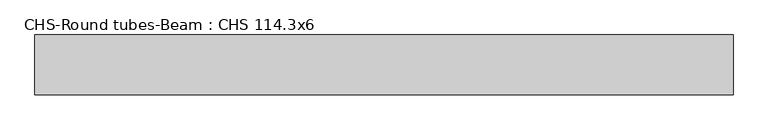
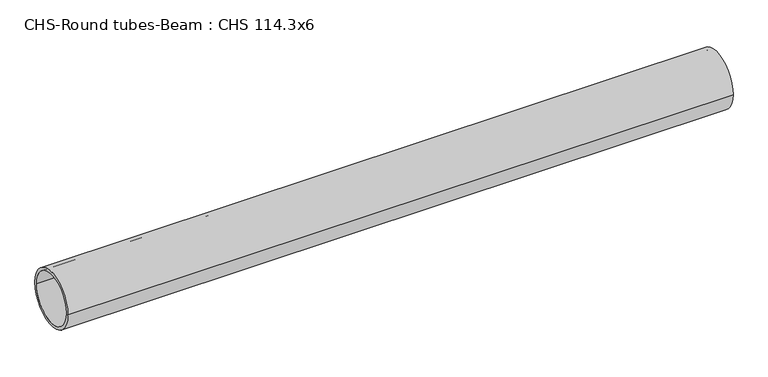
"""IFC4 building model written with IfcOpenShell, lengths in millimetres: beam geometry, CHS-Round tubes-Beam : CHS 114.3x6."""

from ifc_helpers import new_model, si_unit, point, frame, origin, origin_2d, place, context, project, spatial, circle_curve, trimmed, segment, composite_curve, outline, extrude, source, transform, mapped, element, save


def chs_round_tubes_beam_chs_114_3x6_0f8348d8(model_context):
    return source(origin(), model_context, "Body", "SweptSolid", [
        extrude(outline(composite_curve([segment(trimmed(circle_curve(origin_2d(), 57.15), [point((57.15, 0.0))], [point((-57.15, 0.0))], False, "CARTESIAN"), True, "CONTINUOUS"), segment(trimmed(circle_curve(origin_2d(), 57.15), [point((-57.15, 0.0))], [point((57.15, 0.0))], False, "CARTESIAN"), True, "CONTINUOUS")], self_intersect=False), holes=[composite_curve([segment(trimmed(circle_curve(origin_2d(), 51.15), [point((51.15, 0.0))], [point((-51.15, 0.0))], True, "CARTESIAN"), True, "CONTINUOUS"), segment(trimmed(circle_curve(origin_2d(), 51.15), [point((-51.15, 0.0))], [point((51.15, 0.0))], True, "CARTESIAN"), True, "CONTINUOUS")], self_intersect=False)]), frame((-705.1917325, 0.0, 0.0), z_axis=(1.0, 0.0, 0.0), x_axis=(0.0, 1.0, 0.0)), (0.0, 0.0, 1.0), 1331.3214626),
    ])


if __name__ == "__main__":
    model = new_model("IFC4")
    model_context = context("Model", 3, world=origin())
    ifc_project = project(units=[si_unit("LENGTHUNIT", "METRE", prefix="MILLI")], contexts=[model_context])
    site = spatial("IfcSite", under=ifc_project)
    building = spatial("IfcBuilding", under=site)
    placement = place(None, origin())
    chs_round_tubes_beam_chs_114_3x6_shape = chs_round_tubes_beam_chs_114_3x6_0f8348d8(model_context)
    element("IfcBeam", 1, ObjectType="CHS-Round tubes-Beam : CHS 114.3x6", at=placement, inside=building, context=model_context, shape_type="MappedRepresentation", body=[
        mapped(chs_round_tubes_beam_chs_114_3x6_shape, transform((0.0, 0.0, 0.0), x_axis=(1.0, 0.0, 0.0), y_axis=(0.0, 1.0, 0.0), z_axis=(0.0, 0.0, 1.0))),
    ])
    save(model, "model.ifc")
